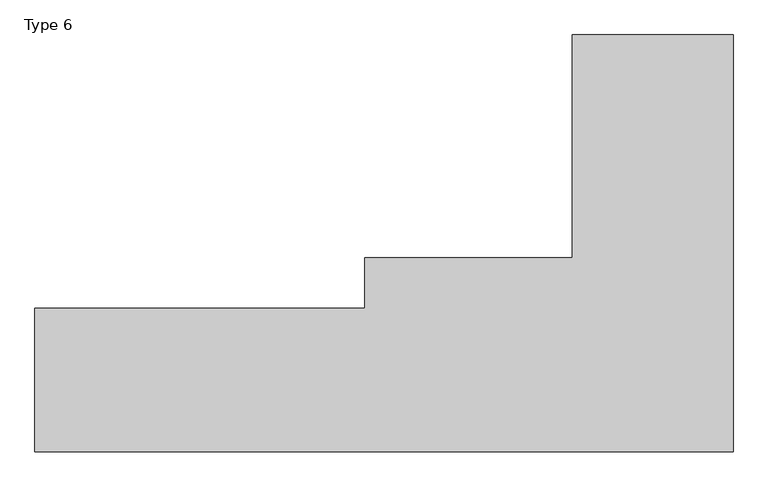
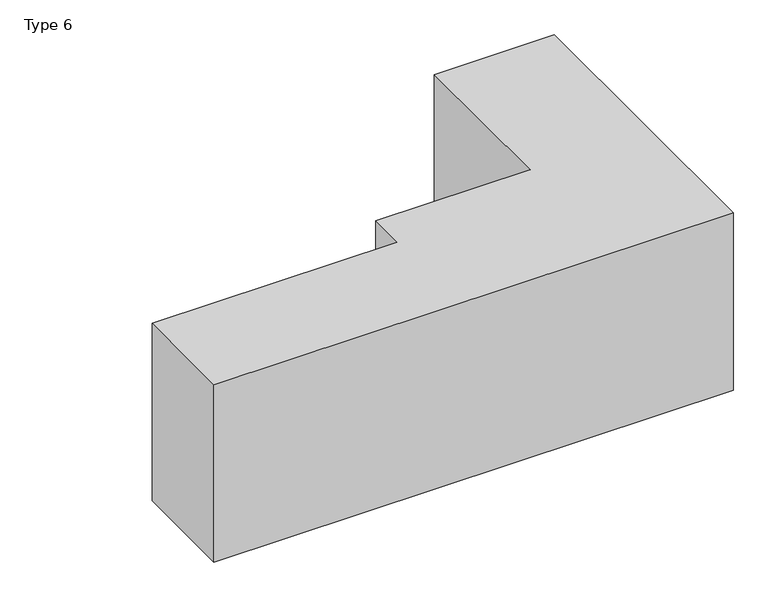
"""IFC4 building model written with IfcOpenShell, lengths in millimetres: proxy geometry, Type 6."""

from ifc_helpers import new_model, si_unit, origin, origin_with_axes, place, context, project, spatial, polyline, outline, extrude, source, transform, mapped, element, save


def type_6_1a0fc654(model_context):
    return source(origin(), model_context, "Body", "SweptSolid", [
        extrude(outline(polyline([(1700.0, 740.0), (1700.0, 1000.0), (2770.0, 1000.0), (2770.0, 2150.0), (3600.0, 2150.0), (3600.0, 0.0), (0.0, 0.0), (0.0, 740.0), (1700.0, 740.0)])), origin_with_axes(), (0.0, 0.0, 1.0), 1300.0),
    ])


if __name__ == "__main__":
    model = new_model("IFC4")
    model_context = context("Model", 3, world=origin())
    ifc_project = project(units=[si_unit("LENGTHUNIT", "METRE", prefix="MILLI")], contexts=[model_context])
    site = spatial("IfcSite", under=ifc_project)
    building = spatial("IfcBuilding", under=site)
    placement = place(None, origin())
    type_6_shape = type_6_1a0fc654(model_context)
    element("IfcBuildingElementProxy", 1, Name="Type 6", ObjectType="Type 6", at=placement, inside=building, context=model_context, shape_type="MappedRepresentation", body=[
        mapped(type_6_shape, transform((0.0, 0.0, 0.0), x_axis=(1.0, 0.0, 0.0), y_axis=(0.0, 1.0, 0.0), z_axis=(0.0, 0.0, 1.0))),
    ])
    save(model, "model.ifc")
